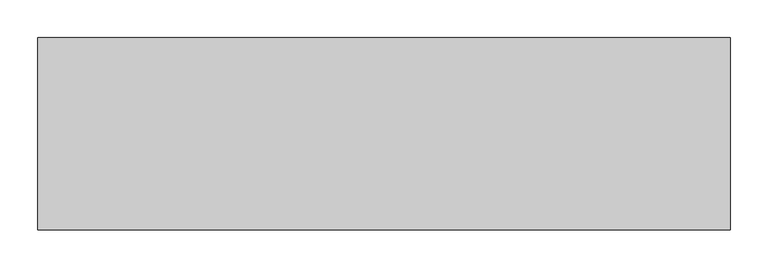
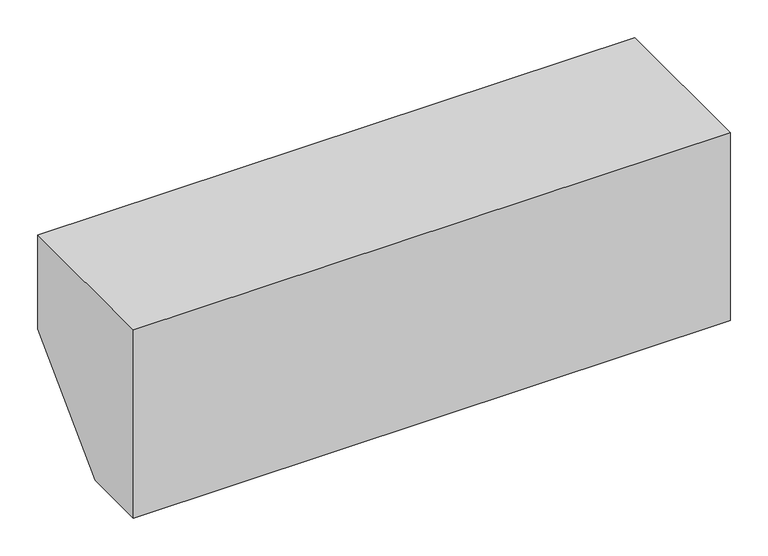
"""IFC4 building model written with IfcOpenShell, lengths in millimetres: proxy geometry."""

from ifc_helpers import new_model, si_unit, frame, origin, place, context, project, spatial, polyline, outline, extrude, source, transform, mapped, element, save


def mechanical_equipment_67011ee8(model_context):
    return source(origin(), model_context, "Body", "SweptSolid", [
        extrude(outline(polyline([(0.0, 304.8), (254.0, 304.8), (254.0, 152.4), (101.6, 0.0), (0.0, 0.0), (0.0, 304.8)])), frame((-457.2, 0.0, 0.0), z_axis=(1.0, 0.0, 0.0), x_axis=(0.0, 1.0, 0.0)), (0.0, 0.0, 1.0), 914.4),
    ])


if __name__ == "__main__":
    model = new_model("IFC4")
    model_context = context("Model", 3, world=origin())
    ifc_project = project(units=[si_unit("LENGTHUNIT", "METRE", prefix="MILLI")], contexts=[model_context])
    site = spatial("IfcSite", under=ifc_project)
    building = spatial("IfcBuilding", under=site)
    placement = place(None, origin())
    mechanical_equipment_shape = mechanical_equipment_67011ee8(model_context)
    element("IfcBuildingElementProxy", 1, Name="Mechanical Equipment", at=placement, inside=building, context=model_context, shape_type="MappedRepresentation", body=[
        mapped(mechanical_equipment_shape, transform((0.0, 0.0, 0.0), x_axis=(1.0, 0.0, 0.0), y_axis=(0.0, 1.0, 0.0), z_axis=(0.0, 0.0, 1.0))),
    ])
    save(model, "model.ifc")
